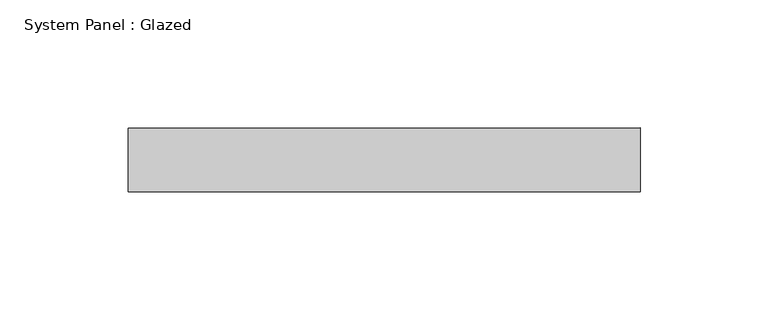
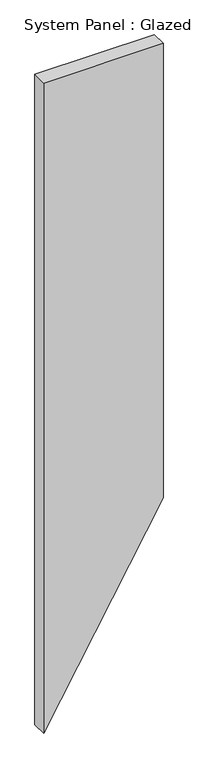
"""IFC4 building model written with IfcOpenShell, lengths in millimetres: plate geometry, System Panel : Glazed."""

from ifc_helpers import new_model, si_unit, frame, origin, place, context, project, spatial, polyline, outline, extrude, source, transform, mapped, element, save


def system_panel_glazed_12333b8c(model_context):
    return source(origin(), model_context, "Body", "SweptSolid", [
        extrude(outline(polyline([(0.0, -100.0), (346.410161, 99.9999997), (1150.2577383, 100.0), (1150.2577383, -100.0), (0.0, -100.0)])), frame((0.0, 24.5, 0.0), z_axis=(0.0, 1.0, 0.0), x_axis=(0.0, 0.0, 1.0)), (0.0, 0.0, 1.0), 25.0),
    ])


if __name__ == "__main__":
    model = new_model("IFC4")
    model_context = context("Model", 3, world=origin())
    ifc_project = project(units=[si_unit("LENGTHUNIT", "METRE", prefix="MILLI")], contexts=[model_context])
    site = spatial("IfcSite", under=ifc_project)
    building = spatial("IfcBuilding", under=site)
    placement = place(None, origin())
    system_panel_glazed_shape = system_panel_glazed_12333b8c(model_context)
    element("IfcPlate", 1, ObjectType="System Panel : Glazed", at=placement, inside=building, context=model_context, shape_type="MappedRepresentation", body=[
        mapped(system_panel_glazed_shape, transform((0.0, 0.0, 0.0), x_axis=(1.0, 0.0, 0.0), y_axis=(0.0, 1.0, 0.0), z_axis=(0.0, 0.0, 1.0))),
    ])
    save(model, "model.ifc")
